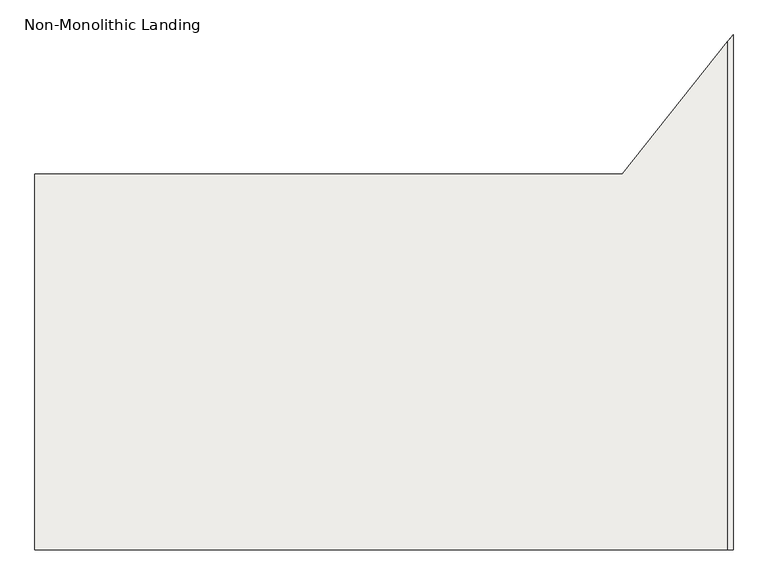
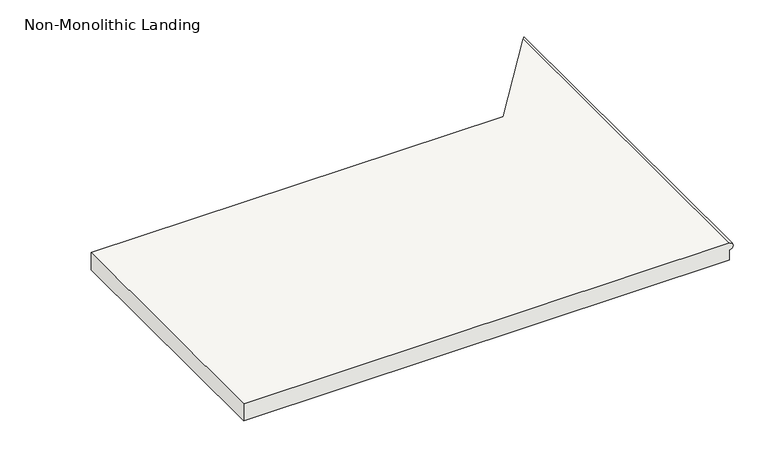
"""IFC4 building model written with IfcOpenShell, lengths in millimetres: slab geometry, Non-Monolithic Landing."""

from ifc_helpers import new_model, si_unit, frame, origin, place, context, project, spatial, circle_curve, ellipse_curve, source, transform, mapped, element, save
from ifc_brep_helpers import plane_surface, cylinder_surface, advanced_brep


def non_monolithic_landing_0975b41c(model_context):
    return source(origin(), model_context, "Body", "AdvancedBrep", [
        advanced_brep(
        [(-26710.7673681, -17630.8974843, 1205.0), (-26710.7673681, -17630.8974843, 1225.0), (-26710.7673681, -18618.3386924, 1225.0), (-26710.7673681, -18618.3386924, 1205.0), (-26915.7774415, -17888.3653686, 1225.0), (-28055.7774415, -17888.3653686, 1225.0), (-28055.7774415, -18618.3386924, 1225.0), (-26710.7673681, -17630.8974843, 1175.0), (-26710.7673681, -18618.3386924, 1175.0), (-28055.7774415, -18618.3386924, 1175.0), (-28055.7774415, -17888.3653686, 1175.0), (-26915.7774415, -17888.3653686, 1175.0)],
        [
            (0, 1, ellipse_curve(frame((-26710.7673681, -17630.8974843, 1215.0), z_axis=(0.7822959120122204, -0.6229069802538484, 0.0), x_axis=(0.6229069802538484, 0.7822959120122205, 0.0)), 16.0537613, 10.0)),
            (1, 2),
            (2, 3, circle_curve(frame((-26710.7673681, -18618.3386924, 1215.0), z_axis=(0.0, 1.0, 0.0), x_axis=(-1.0, 0.0, 0.0)), 10.0)),
            (3, 0),
            (1, 4),
            (4, 5),
            (5, 6),
            (6, 2),
            (7, 8),
            (8, 9),
            (9, 10),
            (10, 11),
            (11, 7),
            (7, 0),
            (3, 8),
            (11, 4),
            (10, 5),
            (9, 6),
        ],
        [
            cylinder_surface(frame((-26710.7673681, -17630.8974843, 1215.0), z_axis=(0.0, 1.0, 0.0), x_axis=(-1.0, 0.0, 0.0)), 10.0),
            plane_surface(frame((-26710.7673681, -18618.3386924, 1225.0), z_axis=(0.0, 0.0, 1.0), x_axis=(0.0, 1.0, 0.0))),
            plane_surface(frame((-26710.7673681, -18618.3386924, 1175.0), z_axis=(0.0, 0.0, -1.0), x_axis=(0.0, -1.0, 0.0))),
            plane_surface(frame((-26710.7673681, -18618.3386924, 1225.0), z_axis=(1.0, 0.0, 0.0), x_axis=(0.0, 0.0, -1.0))),
            plane_surface(frame((-26710.7673681, -17630.8974843, 1225.0), z_axis=(-0.7822959120122204, 0.6229069802538484, 0.0), x_axis=(0.0, 0.0, -1.0))),
            plane_surface(frame((-26915.7774415, -17888.3653686, 1225.0), z_axis=(0.0, 1.0, 0.0), x_axis=(0.0, 0.0, -1.0))),
            plane_surface(frame((-28055.7774415, -17888.3653686, 1225.0), z_axis=(-1.0, 0.0, 0.0), x_axis=(0.0, 0.0, -1.0))),
            plane_surface(frame((-28055.7774415, -18618.3386924, 1225.0), z_axis=(0.0, -1.0, 0.0), x_axis=(0.0, 0.0, -1.0))),
        ],
        [
            (0, [[1, 2, 3, 4]]),
            (1, [[5, 6, 7, 8, -2]]),
            (2, [[9, 10, 11, 12, 13]]),
            (3, [[-9, 14, -4, 15]]),
            (4, [[-5, -1, -14, -13, 16]]),
            (5, [[-6, -16, -12, 17]]),
            (6, [[-7, -17, -11, 18]]),
            (7, [[-8, -18, -10, -15, -3]]),
        ],
    ),
    ])


if __name__ == "__main__":
    model = new_model("IFC4")
    model_context = context("Model", 3, world=origin())
    ifc_project = project(units=[si_unit("LENGTHUNIT", "METRE", prefix="MILLI")], contexts=[model_context])
    site = spatial("IfcSite", under=ifc_project)
    building = spatial("IfcBuilding", under=site)
    placement = place(None, origin())
    non_monolithic_landing_shape = non_monolithic_landing_0975b41c(model_context)
    element("IfcSlab", 1, ObjectType="Non-Monolithic Landing", at=placement, inside=building, context=model_context, shape_type="MappedRepresentation", body=[
        mapped(non_monolithic_landing_shape, transform((0.0, 0.0, 0.0), x_axis=(1.0, 0.0, 0.0), y_axis=(0.0, 1.0, 0.0), z_axis=(0.0, 0.0, 1.0))),
    ])
    save(model, "model.ifc")
